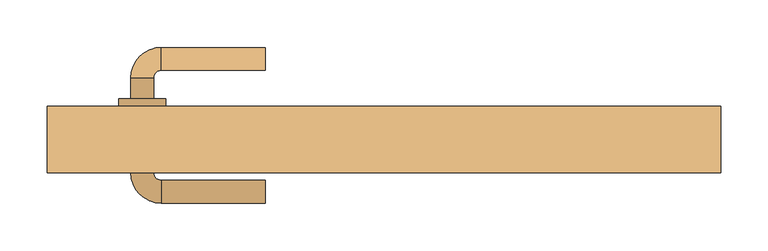
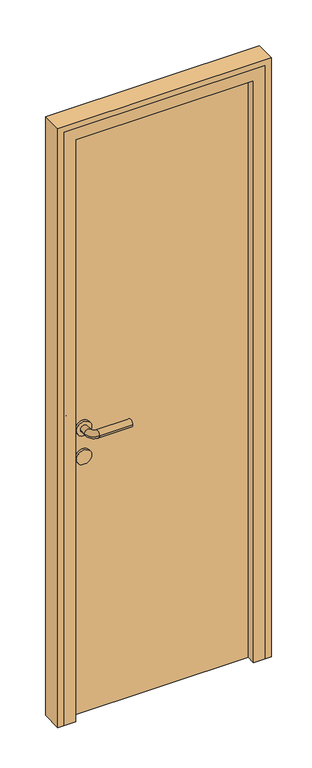
"""IFC4 building model written with IfcOpenShell, lengths in millimetres: door geometry."""

from ifc_helpers import new_model, si_unit, point, frame, frame_2d, origin, origin_with_axes, place, context, project, spatial, polyline, circle_curve, ellipse_curve, trimmed, segment, composite_curve, outline, extrude, faceted_brep, source, transform, mapped, element, save
from ifc_brep_helpers import plane_surface, cylinder_surface, revolved_surface, advanced_brep


def door_18fb7178(model_context):
    return source(origin(), model_context, "Body", "SolidModel", [
        advanced_brep(
        [(-125.0, 87.0, 1000.0), (-125.0, 63.0, 1000.0), (-235.0, 87.0, 1000.0), (-235.0, 63.0, 1000.0), (-267.0, 55.0, 1000.0), (-243.0, 55.0, 1000.0), (-267.0, 33.0, 1000.0), (-243.0, 33.0, 1000.0), (-267.0, -45.0, 1000.0), (-243.0, -45.0, 1000.0), (-243.0, -23.0, 1000.0), (-267.0, -23.0, 1000.0), (-235.0, -77.0, 1000.0), (-235.0, -53.0, 1000.0), (-125.0, -77.0, 1000.0), (-125.0, -53.0, 1000.0), (-230.0, -23.0, 1000.0), (-280.0, -23.0, 1000.0), (-230.0, 33.0, 1000.0), (-280.0, 33.0, 1000.0)],
        [
            (0, 1, circle_curve(frame((-125.0, 75.0, 1000.0), z_axis=(1.0, 0.0, 0.0), x_axis=(0.0, -1.0, 0.0)), 12.0)),
            (1, 0, circle_curve(frame((-125.0, 75.0, 1000.0), z_axis=(1.0, 0.0, 0.0), x_axis=(0.0, -1.0, 0.0)), 12.0)),
            (0, 2),
            (2, 3, circle_curve(frame((-235.0, 75.0, 1000.0), z_axis=(1.0, 0.0, 0.0), x_axis=(0.0, -1.0, 0.0)), 12.0)),
            (3, 1),
            (3, 2, circle_curve(frame((-235.0, 75.0, 1000.0), z_axis=(1.0, 0.0, 0.0), x_axis=(0.0, -1.0, 0.0)), 12.0)),
            (2, 4, circle_curve(frame((-235.0, 55.0, 1000.0), z_axis=(0.0, 0.0, 1.0), x_axis=(0.0, 1.0, 0.0)), 32.0)),
            (4, 5, circle_curve(frame((-255.0, 55.0, 1000.0), z_axis=(0.0, 1.0, 0.0), x_axis=(1.0, 0.0, 0.0)), 12.0)),
            (5, 3, circle_curve(frame((-235.0, 55.0, 1000.0), z_axis=(0.0, 0.0, -1.0), x_axis=(0.0, 1.0, 0.0)), 8.0)),
            (5, 4, circle_curve(frame((-255.0, 55.0, 1000.0), z_axis=(0.0, 1.0, 0.0), x_axis=(1.0, 0.0, 0.0)), 12.0)),
            (4, 6),
            (6, 7, circle_curve(frame((-255.0, 33.0, 1000.0), z_axis=(0.0, 1.0, 0.0), x_axis=(1.0, 0.0, 0.0)), 12.0)),
            (7, 5),
            (8, 9, circle_curve(frame((-255.0, -45.0, 1000.0), z_axis=(0.0, 1.0, 0.0), x_axis=(1.0, 0.0, 0.0)), 12.0)),
            (9, 10),
            (10, 11, circle_curve(frame((-255.0, -23.0, 1000.0), z_axis=(0.0, -1.0, 0.0), x_axis=(1.0, 0.0, 0.0)), 12.0)),
            (11, 8),
            (7, 6, circle_curve(frame((-255.0, 33.0, 1000.0), z_axis=(0.0, 1.0, 0.0), x_axis=(1.0, 0.0, 0.0)), 12.0)),
            (9, 8, circle_curve(frame((-255.0, -45.0, 1000.0), z_axis=(0.0, 1.0, 0.0), x_axis=(1.0, 0.0, 0.0)), 12.0)),
            (11, 10, circle_curve(frame((-255.0, -23.0, 1000.0), z_axis=(0.0, -1.0, 0.0), x_axis=(1.0, 0.0, 0.0)), 12.0)),
            (8, 12, circle_curve(frame((-235.0, -45.0, 1000.0), z_axis=(0.0, 0.0, 1.0), x_axis=(-1.0, 0.0, 0.0)), 32.0)),
            (12, 13, circle_curve(frame((-235.0, -65.0, 1000.0), z_axis=(-1.0, 0.0, 0.0), x_axis=(0.0, 1.0, 0.0)), 12.0)),
            (13, 9, circle_curve(frame((-235.0, -45.0, 1000.0), z_axis=(0.0, 0.0, -1.0), x_axis=(-1.0, 0.0, 0.0)), 8.0)),
            (13, 12, circle_curve(frame((-235.0, -65.0, 1000.0), z_axis=(-1.0, 0.0, 0.0), x_axis=(0.0, 1.0, 0.0)), 12.0)),
            (14, 15, circle_curve(frame((-125.0, -65.0, 1000.0), z_axis=(1.0, 0.0, 0.0), x_axis=(0.0, 1.0, 0.0)), 12.0)),
            (15, 14, circle_curve(frame((-125.0, -65.0, 1000.0), z_axis=(1.0, 0.0, 0.0), x_axis=(0.0, 1.0, 0.0)), 12.0)),
            (12, 14),
            (15, 13),
            (16, 17, circle_curve(frame((-255.0, -23.0, 1000.0), z_axis=(0.0, -1.0, 0.0), x_axis=(-1.0, 0.0, 0.0)), 25.0)),
            (17, 16, circle_curve(frame((-255.0, -23.0, 1000.0), z_axis=(0.0, -1.0, 0.0), x_axis=(-1.0, 0.0, 0.0)), 25.0)),
            (18, 19, circle_curve(frame((-255.0, 33.0, 1000.0), z_axis=(0.0, 1.0, 0.0), x_axis=(-1.0, 0.0, 0.0)), 25.0)),
            (19, 18, circle_curve(frame((-255.0, 33.0, 1000.0), z_axis=(0.0, 1.0, 0.0), x_axis=(-1.0, 0.0, 0.0)), 25.0)),
            (16, 18),
            (19, 17),
        ],
        [
            plane_surface(frame((-125.0, 75.0, 1000.0), z_axis=(1.0, 0.0, 0.0), x_axis=(0.0, 0.0, 1.0))),
            cylinder_surface(frame((-125.0, 75.0, 1000.0), z_axis=(1.0, 0.0, 0.0), x_axis=(0.0, -1.0, 0.0)), 12.0),
            revolved_surface(trimmed(ellipse_curve(frame((-235.0, 75.0, 1000.0), z_axis=(1.0, 0.0, 0.0), x_axis=(0.0, -1.0, 0.0)), 12.0, 12.0), [point((-235.0, 87.0, 1000.0))], [point((-235.0, 63.0, 1000.0))], True, "CARTESIAN"), (-235.0, 55.0, 1000.0), (0.0, 0.0, 1.0)),
            revolved_surface(trimmed(ellipse_curve(frame((-235.0, 75.0, 1000.0), z_axis=(1.0, 0.0, 0.0), x_axis=(0.0, -1.0, 0.0)), 12.0, 12.0), [point((-235.0, 63.0, 1000.0))], [point((-235.0, 87.0, 1000.0))], True, "CARTESIAN"), (-235.0, 55.0, 1000.0), (0.0, 0.0, 1.0)),
            cylinder_surface(frame((-255.0, 55.0, 1000.0), z_axis=(0.0, 1.0, 0.0), x_axis=(1.0, 0.0, 0.0)), 12.0),
            revolved_surface(trimmed(ellipse_curve(frame((-255.0, -45.0, 1000.0), z_axis=(0.0, 1.0, 0.0), x_axis=(1.0, 0.0, 0.0)), 12.0, 12.0), [point((-267.0, -45.0, 1000.0))], [point((-243.0, -45.0, 1000.0))], True, "CARTESIAN"), (-235.0, -45.0, 1000.0), (0.0, 0.0, 1.0)),
            revolved_surface(trimmed(ellipse_curve(frame((-255.0, -45.0, 1000.0), z_axis=(0.0, 1.0, 0.0), x_axis=(1.0, 0.0, 0.0)), 12.0, 12.0), [point((-243.0, -45.0, 1000.0))], [point((-267.0, -45.0, 1000.0))], True, "CARTESIAN"), (-235.0, -45.0, 1000.0), (0.0, 0.0, 1.0)),
            plane_surface(frame((-125.0, -65.0, 1000.0), z_axis=(1.0, 0.0, 0.0), x_axis=(0.0, 0.0, 1.0))),
            cylinder_surface(frame((-235.0, -65.0, 1000.0), z_axis=(-1.0, 0.0, 0.0), x_axis=(0.0, 1.0, 0.0)), 12.0),
            plane_surface(frame((-280.0, -23.0, 1000.0), z_axis=(0.0, -1.0, 0.0), x_axis=(0.0, 0.0, -1.0))),
            plane_surface(frame((-280.0, 33.0, 1000.0), z_axis=(0.0, 1.0, 0.0), x_axis=(0.0, 0.0, 1.0))),
            cylinder_surface(frame((-255.0, -23.0, 1000.0), z_axis=(0.0, 1.0, 0.0), x_axis=(-1.0, 0.0, 0.0)), 25.0),
        ],
        [
            (0, [[1, 2]]),
            (1, [[-1, 3, 4, 5]]),
            (1, [[-2, -5, 6, -3]]),
            (2, [[-4, 7, 8, 9]]),
            (3, [[-6, -9, 10, -7]]),
            (4, [[-8, 11, 12, 13]]),
            (4, [[14, 15, 16, 17]]),
            (4, [[-10, -13, 18, -11]]),
            (4, [[19, -17, 20, -15]]),
            (5, [[-14, 21, 22, 23]]),
            (6, [[-19, -23, 24, -21]]),
            (7, [[25, 26]]),
            (8, [[-22, 27, -26, 28]]),
            (8, [[-24, -28, -25, -27]]),
            (9, [[29, 30], [-16, -20]]),
            (10, [[31, 32], [-12, -18]]),
            (11, [[-29, 33, -32, 34]]),
            (11, [[-30, -34, -31, -33]]),
        ],
    ),
        extrude(outline(composite_curve([segment(trimmed(circle_curve(frame_2d((900.0, -255.0)), 25.0), [point((900.0, -230.0))], [point((900.0, -280.0))], False, "CARTESIAN"), True, "CONTINUOUS"), segment(trimmed(circle_curve(frame_2d((900.0, -255.0)), 25.0), [point((900.0, -280.0))], [point((900.0, -230.0))], False, "CARTESIAN"), True, "CONTINUOUS")], self_intersect=False)), frame((0.0, -23.0, 0.0), z_axis=(0.0, 1.0, 0.0), x_axis=(0.0, 0.0, 1.0)), (0.0, 0.0, 1.0), 56.0),
        extrude(outline(polyline([(305.0, -15.0), (-305.0, -15.0), (-305.0, 25.0), (305.0, 25.0), (305.0, -15.0)])), origin_with_axes(), (0.0, 0.0, 1.0), 2050.0),
        extrude(outline(polyline([(0.0, 355.0), (2100.0, 355.0), (2100.0, -355.0), (0.0, -355.0), (0.0, -335.0), (2080.0, -335.0), (2080.0, 335.0), (0.0, 335.0), (0.0, 355.0)])), frame((0.0, -45.0, 0.0), z_axis=(0.0, 1.0, 0.0), x_axis=(0.0, 0.0, 1.0)), (0.0, 0.0, 1.0), 70.0),
        faceted_brep([(-335.0, -45.0, 0.0), (-335.0, 25.0, 0.0), (-305.0, 25.0, 0.0), (-305.0, -15.0, 0.0), (-295.0, -15.0, 0.0), (-295.0, -45.0, 0.0), (-335.0, -45.0, 2080.0), (-335.0, 25.0, 2080.0), (335.0, 25.0, 2080.0), (335.0, 25.0, 0.0), (305.0, 25.0, 0.0), (305.0, 25.0, 2050.0), (-305.0, 25.0, 2050.0), (-305.0, -15.0, 2050.0), (305.0, -15.0, 2050.0), (305.0, -15.0, 0.0), (295.0, -15.0, 0.0), (295.0, -15.0, 2040.0), (-295.0, -15.0, 2040.0), (-295.0, -45.0, 2040.0), (295.0, -45.0, 2040.0), (295.0, -45.0, 0.0), (335.0, -45.0, 0.0), (335.0, -45.0, 2080.0)], [[[0, 1, 2, 3, 4, 5]], [[1, 0, 6, 7]], [[2, 1, 7, 8, 9, 10, 11, 12]], [[3, 2, 12, 13]], [[4, 3, 13, 14, 15, 16, 17, 18]], [[5, 4, 18, 19]], [[0, 5, 19, 20, 21, 22, 23, 6]], [[7, 6, 23, 8]], [[13, 12, 11, 14]], [[19, 18, 17, 20]], [[22, 21, 16, 15, 10, 9]], [[8, 23, 22, 9]], [[14, 11, 10, 15]], [[20, 17, 16, 21]]]),
    ])


if __name__ == "__main__":
    model = new_model("IFC4")
    model_context = context("Model", 3, world=origin())
    ifc_project = project(units=[si_unit("LENGTHUNIT", "METRE", prefix="MILLI")], contexts=[model_context])
    site = spatial("IfcSite", under=ifc_project)
    building = spatial("IfcBuilding", under=site)
    placement = place(None, origin())
    door_shape = door_18fb7178(model_context)
    element("IfcDoor", 1, at=placement, inside=building, context=model_context, shape_type="MappedRepresentation", body=[
        mapped(door_shape, transform((0.0, 0.0, 0.0), x_axis=(1.0, 0.0, 0.0), y_axis=(0.0, 1.0, 0.0), z_axis=(0.0, 0.0, 1.0))),
    ])
    save(model, "model.ifc")
